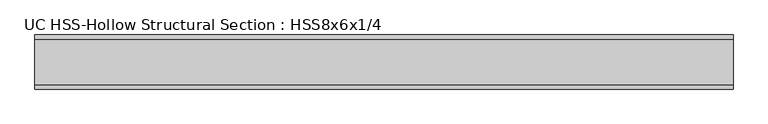
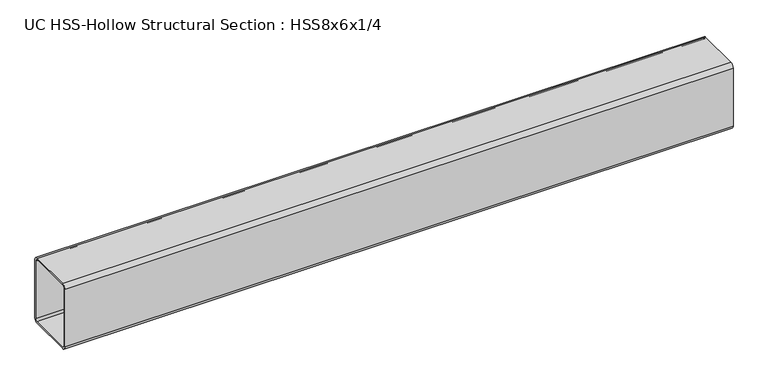
"""IFC4 building model written with IfcOpenShell, lengths in millimetres: beam geometry, UC HSS-Hollow Structural Section : HSS8x6x1/4."""

from ifc_helpers import new_model, si_unit, point, frame, frame_2d, origin, place, context, project, spatial, polyline, circle_curve, trimmed, segment, composite_curve, outline, extrude, source, transform, mapped, element, save


def uc_hss_hollow_structural_section_hss8x6x1_4_bd97efb5(model_context):
    return source(origin(), model_context, "Body", "SweptSolid", [
        extrude(outline(composite_curve([segment(polyline([(76.2, 89.7636), (76.2, -89.7636)]), True, "CONTINUOUS"), segment(trimmed(circle_curve(frame_2d((64.3636, -89.7636)), 11.8364), [point((76.2, -89.7636))], [point((64.3636, -101.6))], False, "CARTESIAN"), True, "CONTINUOUS"), segment(polyline([(64.3636, -101.6), (-64.3636, -101.6)]), True, "CONTINUOUS"), segment(trimmed(circle_curve(frame_2d((-64.3636, -89.7636)), 11.8364), [point((-64.3636, -101.6))], [point((-76.2, -89.7636))], False, "CARTESIAN"), True, "CONTINUOUS"), segment(polyline([(-76.2, -89.7636), (-76.2, 89.7636)]), True, "CONTINUOUS"), segment(trimmed(circle_curve(frame_2d((-64.3636, 89.7636)), 11.8364), [point((-76.2, 89.7636))], [point((-64.3636, 101.6))], False, "CARTESIAN"), True, "CONTINUOUS"), segment(polyline([(-64.3636, 101.6), (64.3636, 101.6)]), True, "CONTINUOUS"), segment(trimmed(circle_curve(frame_2d((64.3636, 89.7636)), 11.8364), [point((64.3636, 101.6))], [point((76.2, 89.7636))], False, "CARTESIAN"), True, "CONTINUOUS")], self_intersect=False), holes=[composite_curve([segment(trimmed(circle_curve(frame_2d((-64.3636, 89.7636)), 5.9182), [point((-64.3636, 95.6818))], [point((-70.2818, 89.7636))], True, "CARTESIAN"), True, "CONTINUOUS"), segment(polyline([(-70.2818, 89.7636), (-70.2818, -89.7636)]), True, "CONTINUOUS"), segment(trimmed(circle_curve(frame_2d((-64.3636, -89.7636)), 5.9182), [point((-70.2818, -89.7636))], [point((-64.3636, -95.6818))], True, "CARTESIAN"), True, "CONTINUOUS"), segment(polyline([(-64.3636, -95.6818), (64.3636, -95.6818)]), True, "CONTINUOUS"), segment(trimmed(circle_curve(frame_2d((64.3636, -89.7636)), 5.9182), [point((64.3636, -95.6818))], [point((70.2818, -89.7636))], True, "CARTESIAN"), True, "CONTINUOUS"), segment(polyline([(70.2818, -89.7636), (70.2818, 89.7636)]), True, "CONTINUOUS"), segment(trimmed(circle_curve(frame_2d((64.3636, 89.7636)), 5.9182), [point((70.2818, 89.7636))], [point((64.3636, 95.6818))], True, "CARTESIAN"), True, "CONTINUOUS"), segment(polyline([(64.3636, 95.6818), (-64.3636, 95.6818)]), True, "CONTINUOUS")], self_intersect=False)]), frame((-699.3675911, 0.0, 0.0), z_axis=(1.0, 0.0, 0.0), x_axis=(0.0, 1.0, 0.0)), (0.0, 0.0, 1.0), 1965.4104366),
    ])


if __name__ == "__main__":
    model = new_model("IFC4")
    model_context = context("Model", 3, world=origin())
    ifc_project = project(units=[si_unit("LENGTHUNIT", "METRE", prefix="MILLI")], contexts=[model_context])
    site = spatial("IfcSite", under=ifc_project)
    building = spatial("IfcBuilding", under=site)
    placement = place(None, origin())
    uc_hss_hollow_structural_section_hss8x6x1_4_shape = uc_hss_hollow_structural_section_hss8x6x1_4_bd97efb5(model_context)
    element("IfcBeam", 1, ObjectType="UC HSS-Hollow Structural Section : HSS8x6x1/4", at=placement, inside=building, context=model_context, shape_type="MappedRepresentation", body=[
        mapped(uc_hss_hollow_structural_section_hss8x6x1_4_shape, transform((0.0, 0.0, 0.0), x_axis=(1.0, 0.0, 0.0), y_axis=(0.0, 1.0, 0.0), z_axis=(0.0, 0.0, 1.0))),
    ])
    save(model, "model.ifc")
